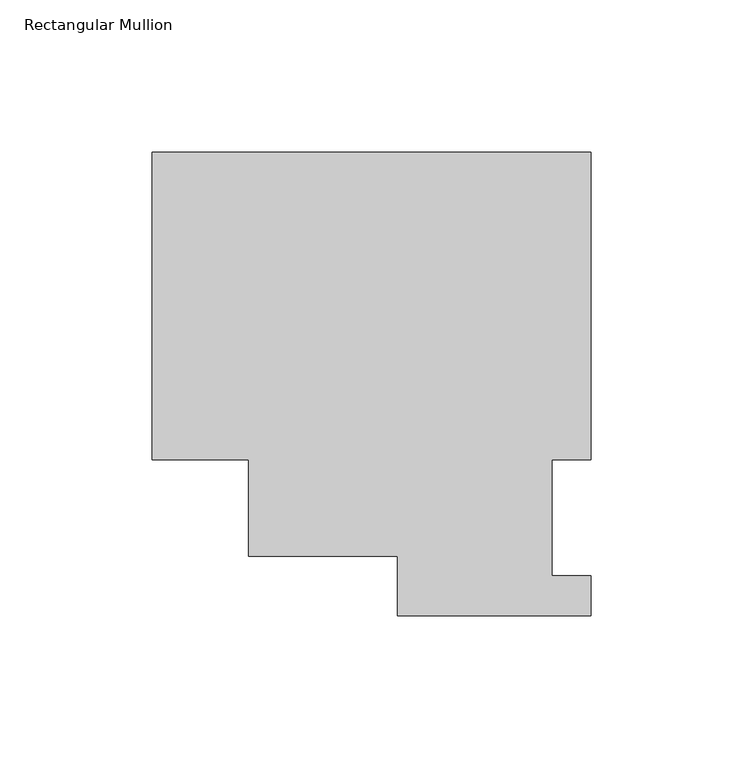
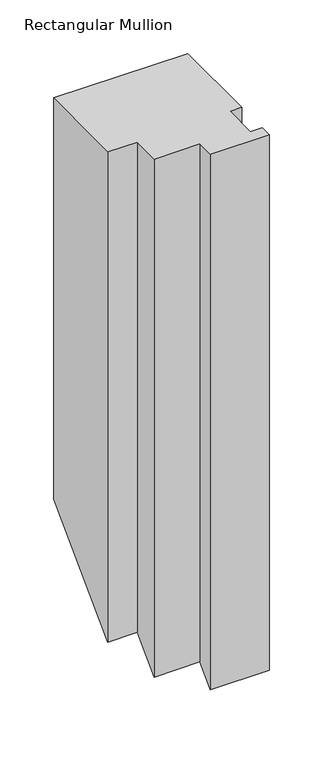
"""IFC4 building model written with IfcOpenShell, lengths in millimetres: member geometry, Rectangular Mullion."""

import ifcopenshell
import ifcopenshell.guid

model = None  # the IFC model being written
_history = None  # IfcOwnerHistory: only IFC2X3 demands one
_inside = {}  # id of a spatial element -> (the spatial element, [elements in it])
_under = {}  # id of a project, library or spatial element -> (it, [spatial elements below it])
_declared = {}  # id of a project -> (the project, [libraries it declares])
_typed = {}  # id of a type object -> (the type object, [elements of that type])
_made_of = {}  # id of a material, layer set ... -> (it, [elements and type objects made of it])


def new_model(schema):
    """Start an empty IFC model of exactly this schema.

    Asked for "IFC4X3", IfcOpenShell would pick the latest addendum, in which some entities
    have other attributes; the version numbers below select the first issue.
    IFC2X3 requires an IfcOwnerHistory on every rooted entity: one is made here for all.
    """
    global model, _history
    if schema == "IFC4X3":
        model = ifcopenshell.file(schema_version=(4, 3, 0, 0))
    else:
        model = ifcopenshell.file(schema=schema)
    _inside.clear()
    _under.clear()
    _declared.clear()
    _typed.clear()
    _made_of.clear()
    _history = None
    if model.schema == "IFC2X3":
        org = make("IfcOrganization", Name="unknown")
        user = make(
            "IfcPersonAndOrganization",
            ThePerson=make("IfcPerson", FamilyName="unknown"),
            TheOrganization=org,
        )
        app = make(
            "IfcApplication",
            ApplicationDeveloper=org,
            Version="unknown",
            ApplicationFullName="unknown",
            ApplicationIdentifier="unknown",
        )
        _history = make(
            "IfcOwnerHistory",
            OwningUser=user,
            OwningApplication=app,
            ChangeAction="ADDED",
            CreationDate=0,
        )
    return model


def make(cls, **values):
    """One entity of the class cls with the attributes given. An attribute that is None is left unset."""
    return model.create_entity(
        cls, **{name: value for name, value in values.items() if value is not None}
    )


def rooted(cls, **values):
    """An entity with a GlobalId (a new one), such as an element, a storey or a relation."""
    return make(cls, GlobalId=ifcopenshell.guid.new(), OwnerHistory=_history, **values)


def si_unit(unit_type, name, prefix=None):
    """IfcSIUnit, for example si_unit("LENGTHUNIT", "METRE", prefix="MILLI")."""
    return make("IfcSIUnit", UnitType=unit_type, Prefix=prefix, Name=name)


def assignment(units):
    """IfcUnitAssignment: the units of a project."""
    return None if units is None else make("IfcUnitAssignment", Units=units)


def point(xyz):
    """IfcCartesianPoint."""
    return None if xyz is None else make("IfcCartesianPoint", Coordinates=xyz)


def direction(xyz):
    """IfcDirection."""
    return None if xyz is None else make("IfcDirection", DirectionRatios=xyz)


def frame(location, z_axis=None, x_axis=None):
    """IfcAxis2Placement3D, a coordinate frame: its origin and axes. An axis left out is left unset."""
    return make(
        "IfcAxis2Placement3D",
        Location=point(location),
        Axis=direction(z_axis),
        RefDirection=direction(x_axis),
    )


def origin():
    """The frame at (0, 0, 0) with its axes left unset."""
    return frame((0.0, 0.0, 0.0))


def place(relative_to, where):
    """IfcLocalPlacement: puts the frame where relative to a parent placement (None: the world)."""
    return make(
        "IfcLocalPlacement", PlacementRelTo=relative_to, RelativePlacement=where
    )


def context(
    kind, dimensions, precision=None, world=None, true_north=None, identifier=None
):
    """IfcGeometricRepresentationContext, for example the 3D "Model" context."""
    return make(
        "IfcGeometricRepresentationContext",
        ContextIdentifier=identifier,
        ContextType=kind,
        CoordinateSpaceDimension=dimensions,
        Precision=precision,
        WorldCoordinateSystem=world,
        TrueNorth=true_north,
    )


def project(units=None, contexts=None):
    """IfcProject with its units and contexts."""
    return rooted(
        "IfcProject",
        Name="project",
        RepresentationContexts=contexts,
        UnitsInContext=assignment(units),
    )


def spatial(cls, under=None, at=None, **own):
    """A site, building, storey or space (cls), placed at a placement, below another one or the project."""
    s = rooted(cls, ObjectPlacement=at, **own)
    if under is not None:
        _under.setdefault(under.id(), (under, []))[1].append(s)
    return s


def faces_of(points, faces, orient=None, outer=None):
    """IfcFace entities. A face is a list of loops; a loop is a list of indices into points, from 0.

    orient and outer hold one flag for each loop. By default every Orientation is true, the
    first loop of a face is its IfcFaceOuterBound and the others are IfcFaceBound.
    """
    made = []
    for i, loops in enumerate(faces):
        bounds = []
        for j, loop in enumerate(loops):
            is_outer = j == 0 if outer is None else outer[i][j]
            bounds.append(
                make(
                    "IfcFaceOuterBound" if is_outer else "IfcFaceBound",
                    Bound=make("IfcPolyLoop", Polygon=[points[k] for k in loop]),
                    Orientation=True if orient is None else orient[i][j],
                )
            )
        made.append(make("IfcFace", Bounds=bounds))
    return made


def faceted_brep(points, faces, orient=None, outer=None, voids=None):
    """IfcFacetedBrep: a solid bounded by flat faces; with voids (closed shells), ...WithVoids."""
    shared = [point(p) for p in points]
    hull = make("IfcClosedShell", CfsFaces=faces_of(shared, faces, orient, outer))
    if voids is None:
        return make("IfcFacetedBrep", Outer=hull)
    return make(
        "IfcFacetedBrepWithVoids",
        Outer=hull,
        Voids=[
            make(cls, CfsFaces=faces_of(shared, fs, o, b)) for cls, fs, o, b in voids
        ],
    )


def shape(context_of_items, identifier, shape_type, items):
    """IfcShapeRepresentation: the items that make up one representation, for example the "Body"."""
    return make(
        "IfcShapeRepresentation",
        ContextOfItems=context_of_items,
        RepresentationIdentifier=identifier,
        RepresentationType=shape_type,
        Items=items,
    )


def source(mapping_origin, context_of_items, identifier, shape_type, items):
    """IfcRepresentationMap: a shape defined once, which mapped items show again and again."""
    return make(
        "IfcRepresentationMap",
        MappingOrigin=mapping_origin,
        MappedRepresentation=shape(context_of_items, identifier, shape_type, items),
    )


def transform(
    local_origin,
    x_axis=None,
    y_axis=None,
    z_axis=None,
    scale=None,
    scale2=None,
    scale3=None,
    uniform=True,
):
    """IfcCartesianTransformationOperator3D, or its non-uniform kind. x_axis, y_axis, z_axis: its Axis1, 2, 3."""
    if uniform:
        return make(
            "IfcCartesianTransformationOperator3D",
            Axis1=direction(x_axis),
            Axis2=direction(y_axis),
            LocalOrigin=point(local_origin),
            Scale=scale,
            Axis3=direction(z_axis),
        )
    return make(
        "IfcCartesianTransformationOperator3DnonUniform",
        Axis1=direction(x_axis),
        Axis2=direction(y_axis),
        LocalOrigin=point(local_origin),
        Scale=scale,
        Axis3=direction(z_axis),
        Scale2=scale2,
        Scale3=scale3,
    )


def mapped(mapping_source, mapping_target):
    """IfcMappedItem: shows the shape of a source again, moved by a transform."""
    return make(
        "IfcMappedItem", MappingSource=mapping_source, MappingTarget=mapping_target
    )


def made_of(thing, what):
    """Note that an element or type object is made of a material, layer set ...; save() writes the relation."""
    if what is not None:
        _made_of.setdefault(what.id(), (what, []))[1].append(thing)
    return thing


def element(
    cls,
    number,
    at=None,
    inside=None,
    cuts=None,
    type_object=None,
    material=None,
    context=None,
    identifier="Body",
    shape_type=None,
    held_by="IfcProductDefinitionShape",
    body=None,
    shapes=None,
    **own,
):
    """One element of the class cls, such as IfcWall. Its Tag is "e" and its number.

    at: its placement. inside: the storey or other place that contains it. cuts: it is an
    opening in that element (IfcRelVoidsElement). A single representation is given by context,
    identifier, shape_type and body (its items); several are given by shapes. held_by: the class
    of the entity that holds the representations. save() writes the other relations.
    """
    e = rooted(cls, Tag="e%d" % number, ObjectPlacement=at, **own)
    if body is not None:
        shapes = [shape(context, identifier, shape_type, body)]
    if shapes is not None:
        e.Representation = make(held_by, Representations=shapes)
    if inside is not None:
        _inside.setdefault(inside.id(), (inside, []))[1].append(e)
    if cuts is not None:
        rooted(
            "IfcRelVoidsElement", RelatingBuildingElement=cuts, RelatedOpeningElement=e
        )
    if type_object is not None:
        _typed.setdefault(type_object.id(), (type_object, []))[1].append(e)
    return made_of(e, material)


def aggregate(whole, parts):
    """IfcRelAggregates: a whole, such as a stair, and the parts it consists of."""
    return rooted("IfcRelAggregates", RelatingObject=whole, RelatedObjects=parts)


def save(model, path):
    """Write the relations noted so far, then the file.

    IfcRelAggregates (storeys below a building ...), IfcRelContainedInSpatialStructure (elements
    in a storey), IfcRelDefinesByType, IfcRelAssociatesMaterial and IfcRelDeclares: one each for
    every whole, place, type object, material and project.
    """
    for whole, parts in _under.values():
        aggregate(whole, parts)
    for where, things in _inside.values():
        rooted(
            "IfcRelContainedInSpatialStructure",
            RelatedElements=things,
            RelatingStructure=where,
        )
    for kind, things in _typed.values():
        rooted("IfcRelDefinesByType", RelatedObjects=things, RelatingType=kind)
    for what, things in _made_of.values():
        rooted("IfcRelAssociatesMaterial", RelatedObjects=things, RelatingMaterial=what)
    for by, libraries in _declared.values():
        rooted("IfcRelDeclares", RelatingContext=by, RelatedDefinitions=libraries)
    model.write(path)


def rectangular_mullion_ab141378(model_context):
    return source(origin(), model_context, "Body", "Brep", [
        faceted_brep([(-144.3735629, 152.4896937, 0.0), (-144.3735629, 51.2960938, 0.0), (-112.6235629, 51.2960937, 0.0), (-112.6235629, 19.5460937, 0.0), (-63.5, 19.5460937, 0.0), (-63.5, 0.0134937, 0.0), (0.0, 0.0134937, 0.0), (0.0, 13.1960937, 0.0), (-12.6873, 13.1960937, 0.0), (-12.6873, 51.2960938, 0.0), (0.0127, 51.2960937, 0.0), (0.0127, 152.4896937, 0.0), (-144.3735629, 152.4896937, -457.0785563), (-144.3735629, 51.2960938, -558.2721563), (-112.6235629, 51.2960937, -558.2721563), (-112.6235629, 19.5460937, -590.0221563), (-63.5, 19.5460937, -590.0221563), (-63.5, 0.0134937, -609.5547563), (0.0, 0.0134937, -609.5547563), (0.0, 13.1960937, -596.3721563), (-12.6873, 13.1960937, -596.3721563), (-12.6873, 51.2960938, -558.2721563), (0.0127, 51.2960937, -558.2721563), (0.0127, 152.4896937, -457.0785563)], [[[0, 1, 2, 3, 4, 5, 6, 7, 8, 9, 10, 11]], [[1, 0, 12, 13]], [[2, 1, 13, 14]], [[3, 2, 14, 15]], [[4, 3, 15, 16]], [[5, 4, 16, 17]], [[6, 5, 17, 18]], [[7, 6, 18, 19]], [[8, 7, 19, 20]], [[9, 8, 20, 21]], [[10, 9, 21, 22]], [[11, 10, 22, 23]], [[0, 11, 23, 12]], [[12, 23, 22, 21, 20, 19, 18, 17, 16, 15, 14, 13]]]),
    ])


if __name__ == "__main__":
    model = new_model("IFC4")
    model_context = context("Model", 3, world=origin())
    ifc_project = project(units=[si_unit("LENGTHUNIT", "METRE", prefix="MILLI")], contexts=[model_context])
    site = spatial("IfcSite", under=ifc_project)
    building = spatial("IfcBuilding", under=site)
    placement = place(None, origin())
    rectangular_mullion_shape = rectangular_mullion_ab141378(model_context)
    element("IfcMember", 1, ObjectType="Rectangular Mullion", at=placement, inside=building, context=model_context, shape_type="MappedRepresentation", body=[
        mapped(rectangular_mullion_shape, transform((0.0, 0.0, 0.0), x_axis=(1.0, 0.0, 0.0), y_axis=(0.0, 1.0, 0.0), z_axis=(0.0, 0.0, 1.0))),
    ])
    save(model, "model.ifc")
